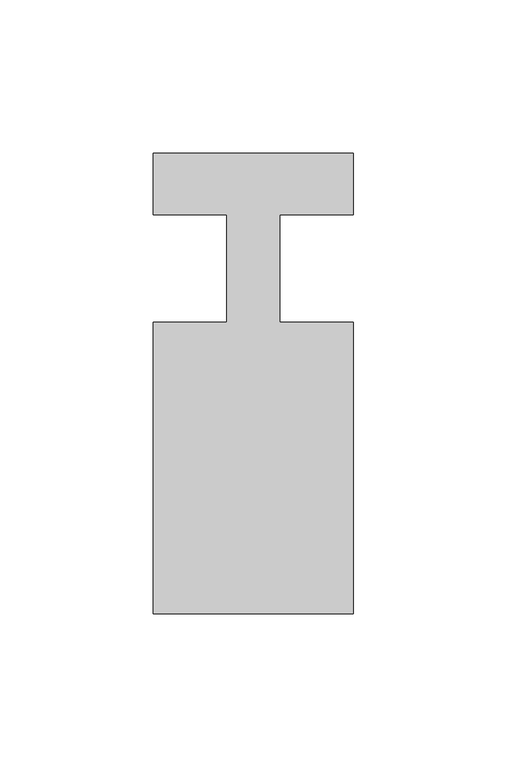
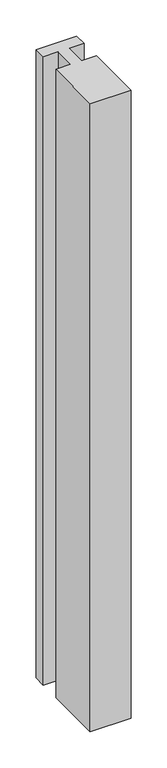
"""IFC4 building model written with IfcOpenShell, lengths in millimetres: member geometry."""

import ifcopenshell
import ifcopenshell.guid

model = None  # the IFC model being written
_history = None  # IfcOwnerHistory: only IFC2X3 demands one
_inside = {}  # id of a spatial element -> (the spatial element, [elements in it])
_under = {}  # id of a project, library or spatial element -> (it, [spatial elements below it])
_declared = {}  # id of a project -> (the project, [libraries it declares])
_typed = {}  # id of a type object -> (the type object, [elements of that type])
_made_of = {}  # id of a material, layer set ... -> (it, [elements and type objects made of it])


def new_model(schema):
    """Start an empty IFC model of exactly this schema.

    Asked for "IFC4X3", IfcOpenShell would pick the latest addendum, in which some entities
    have other attributes; the version numbers below select the first issue.
    IFC2X3 requires an IfcOwnerHistory on every rooted entity: one is made here for all.
    """
    global model, _history
    if schema == "IFC4X3":
        model = ifcopenshell.file(schema_version=(4, 3, 0, 0))
    else:
        model = ifcopenshell.file(schema=schema)
    _inside.clear()
    _under.clear()
    _declared.clear()
    _typed.clear()
    _made_of.clear()
    _history = None
    if model.schema == "IFC2X3":
        org = make("IfcOrganization", Name="unknown")
        user = make(
            "IfcPersonAndOrganization",
            ThePerson=make("IfcPerson", FamilyName="unknown"),
            TheOrganization=org,
        )
        app = make(
            "IfcApplication",
            ApplicationDeveloper=org,
            Version="unknown",
            ApplicationFullName="unknown",
            ApplicationIdentifier="unknown",
        )
        _history = make(
            "IfcOwnerHistory",
            OwningUser=user,
            OwningApplication=app,
            ChangeAction="ADDED",
            CreationDate=0,
        )
    return model


def make(cls, **values):
    """One entity of the class cls with the attributes given. An attribute that is None is left unset."""
    return model.create_entity(
        cls, **{name: value for name, value in values.items() if value is not None}
    )


def rooted(cls, **values):
    """An entity with a GlobalId (a new one), such as an element, a storey or a relation."""
    return make(cls, GlobalId=ifcopenshell.guid.new(), OwnerHistory=_history, **values)


def si_unit(unit_type, name, prefix=None):
    """IfcSIUnit, for example si_unit("LENGTHUNIT", "METRE", prefix="MILLI")."""
    return make("IfcSIUnit", UnitType=unit_type, Prefix=prefix, Name=name)


def assignment(units):
    """IfcUnitAssignment: the units of a project."""
    return None if units is None else make("IfcUnitAssignment", Units=units)


def point(xyz):
    """IfcCartesianPoint."""
    return None if xyz is None else make("IfcCartesianPoint", Coordinates=xyz)


def direction(xyz):
    """IfcDirection."""
    return None if xyz is None else make("IfcDirection", DirectionRatios=xyz)


def frame(location, z_axis=None, x_axis=None):
    """IfcAxis2Placement3D, a coordinate frame: its origin and axes. An axis left out is left unset."""
    return make(
        "IfcAxis2Placement3D",
        Location=point(location),
        Axis=direction(z_axis),
        RefDirection=direction(x_axis),
    )


def origin():
    """The frame at (0, 0, 0) with its axes left unset."""
    return frame((0.0, 0.0, 0.0))


def place(relative_to, where):
    """IfcLocalPlacement: puts the frame where relative to a parent placement (None: the world)."""
    return make(
        "IfcLocalPlacement", PlacementRelTo=relative_to, RelativePlacement=where
    )


def context(
    kind, dimensions, precision=None, world=None, true_north=None, identifier=None
):
    """IfcGeometricRepresentationContext, for example the 3D "Model" context."""
    return make(
        "IfcGeometricRepresentationContext",
        ContextIdentifier=identifier,
        ContextType=kind,
        CoordinateSpaceDimension=dimensions,
        Precision=precision,
        WorldCoordinateSystem=world,
        TrueNorth=true_north,
    )


def project(units=None, contexts=None):
    """IfcProject with its units and contexts."""
    return rooted(
        "IfcProject",
        Name="project",
        RepresentationContexts=contexts,
        UnitsInContext=assignment(units),
    )


def spatial(cls, under=None, at=None, **own):
    """A site, building, storey or space (cls), placed at a placement, below another one or the project."""
    s = rooted(cls, ObjectPlacement=at, **own)
    if under is not None:
        _under.setdefault(under.id(), (under, []))[1].append(s)
    return s


def polyline(points):
    """IfcPolyline through the points."""
    return make("IfcPolyline", Points=[point(p) for p in points])


def outline(outer, holes=None, kind="AREA"):
    """IfcArbitraryClosedProfileDef: a profile drawn as a closed curve; with holes, ...WithVoids."""
    if holes is None:
        return make("IfcArbitraryClosedProfileDef", ProfileType=kind, OuterCurve=outer)
    return make(
        "IfcArbitraryProfileDefWithVoids",
        ProfileType=kind,
        OuterCurve=outer,
        InnerCurves=holes,
    )


def extrude(swept, where, along, depth):
    """IfcExtrudedAreaSolid: the profile swept, set in the frame where, extruded along a direction by depth."""
    return make(
        "IfcExtrudedAreaSolid",
        SweptArea=swept,
        Position=where,
        ExtrudedDirection=direction(along),
        Depth=depth,
    )


def shape(context_of_items, identifier, shape_type, items):
    """IfcShapeRepresentation: the items that make up one representation, for example the "Body"."""
    return make(
        "IfcShapeRepresentation",
        ContextOfItems=context_of_items,
        RepresentationIdentifier=identifier,
        RepresentationType=shape_type,
        Items=items,
    )


def source(mapping_origin, context_of_items, identifier, shape_type, items):
    """IfcRepresentationMap: a shape defined once, which mapped items show again and again."""
    return make(
        "IfcRepresentationMap",
        MappingOrigin=mapping_origin,
        MappedRepresentation=shape(context_of_items, identifier, shape_type, items),
    )


def transform(
    local_origin,
    x_axis=None,
    y_axis=None,
    z_axis=None,
    scale=None,
    scale2=None,
    scale3=None,
    uniform=True,
):
    """IfcCartesianTransformationOperator3D, or its non-uniform kind. x_axis, y_axis, z_axis: its Axis1, 2, 3."""
    if uniform:
        return make(
            "IfcCartesianTransformationOperator3D",
            Axis1=direction(x_axis),
            Axis2=direction(y_axis),
            LocalOrigin=point(local_origin),
            Scale=scale,
            Axis3=direction(z_axis),
        )
    return make(
        "IfcCartesianTransformationOperator3DnonUniform",
        Axis1=direction(x_axis),
        Axis2=direction(y_axis),
        LocalOrigin=point(local_origin),
        Scale=scale,
        Axis3=direction(z_axis),
        Scale2=scale2,
        Scale3=scale3,
    )


def mapped(mapping_source, mapping_target):
    """IfcMappedItem: shows the shape of a source again, moved by a transform."""
    return make(
        "IfcMappedItem", MappingSource=mapping_source, MappingTarget=mapping_target
    )


def made_of(thing, what):
    """Note that an element or type object is made of a material, layer set ...; save() writes the relation."""
    if what is not None:
        _made_of.setdefault(what.id(), (what, []))[1].append(thing)
    return thing


def element(
    cls,
    number,
    at=None,
    inside=None,
    cuts=None,
    type_object=None,
    material=None,
    context=None,
    identifier="Body",
    shape_type=None,
    held_by="IfcProductDefinitionShape",
    body=None,
    shapes=None,
    **own,
):
    """One element of the class cls, such as IfcWall. Its Tag is "e" and its number.

    at: its placement. inside: the storey or other place that contains it. cuts: it is an
    opening in that element (IfcRelVoidsElement). A single representation is given by context,
    identifier, shape_type and body (its items); several are given by shapes. held_by: the class
    of the entity that holds the representations. save() writes the other relations.
    """
    e = rooted(cls, Tag="e%d" % number, ObjectPlacement=at, **own)
    if body is not None:
        shapes = [shape(context, identifier, shape_type, body)]
    if shapes is not None:
        e.Representation = make(held_by, Representations=shapes)
    if inside is not None:
        _inside.setdefault(inside.id(), (inside, []))[1].append(e)
    if cuts is not None:
        rooted(
            "IfcRelVoidsElement", RelatingBuildingElement=cuts, RelatedOpeningElement=e
        )
    if type_object is not None:
        _typed.setdefault(type_object.id(), (type_object, []))[1].append(e)
    return made_of(e, material)


def aggregate(whole, parts):
    """IfcRelAggregates: a whole, such as a stair, and the parts it consists of."""
    return rooted("IfcRelAggregates", RelatingObject=whole, RelatedObjects=parts)


def save(model, path):
    """Write the relations noted so far, then the file.

    IfcRelAggregates (storeys below a building ...), IfcRelContainedInSpatialStructure (elements
    in a storey), IfcRelDefinesByType, IfcRelAssociatesMaterial and IfcRelDeclares: one each for
    every whole, place, type object, material and project.
    """
    for whole, parts in _under.values():
        aggregate(whole, parts)
    for where, things in _inside.values():
        rooted(
            "IfcRelContainedInSpatialStructure",
            RelatedElements=things,
            RelatingStructure=where,
        )
    for kind, things in _typed.values():
        rooted("IfcRelDefinesByType", RelatedObjects=things, RelatingType=kind)
    for what, things in _made_of.values():
        rooted("IfcRelAssociatesMaterial", RelatedObjects=things, RelatingMaterial=what)
    for by, libraries in _declared.values():
        rooted("IfcRelDeclares", RelatingContext=by, RelatedDefinitions=libraries)
    model.write(path)


def member_d898345a(model_context):
    return source(origin(), model_context, "Body", "SweptSolid", [
        extrude(outline(polyline([(-65.0, 37.0), (0.0, 37.0), (0.0, 17.0), (-23.8125, 17.0), (-23.8125, -18.0), (0.0, -18.0), (0.0, -113.0), (-65.0, -113.0), (-65.0, -18.0), (-41.1875, -18.0), (-41.1875, 17.0), (-65.0, 17.0), (-65.0, 37.0)])), frame((0.0, 0.0, -1060.0), z_axis=(0.0, 0.0, 1.0), x_axis=(1.0, 0.0, 0.0)), (0.0, 0.0, 1.0), 1060.0),
    ])


if __name__ == "__main__":
    model = new_model("IFC4")
    model_context = context("Model", 3, world=origin())
    ifc_project = project(units=[si_unit("LENGTHUNIT", "METRE", prefix="MILLI")], contexts=[model_context])
    site = spatial("IfcSite", under=ifc_project)
    building = spatial("IfcBuilding", under=site)
    placement = place(None, origin())
    member_shape = member_d898345a(model_context)
    element("IfcMember", 1, at=placement, inside=building, context=model_context, shape_type="MappedRepresentation", body=[
        mapped(member_shape, transform((0.0, 0.0, 0.0), x_axis=(1.0, 0.0, 0.0), y_axis=(0.0, 1.0, 0.0), z_axis=(0.0, 0.0, 1.0))),
    ])
    save(model, "model.ifc")
